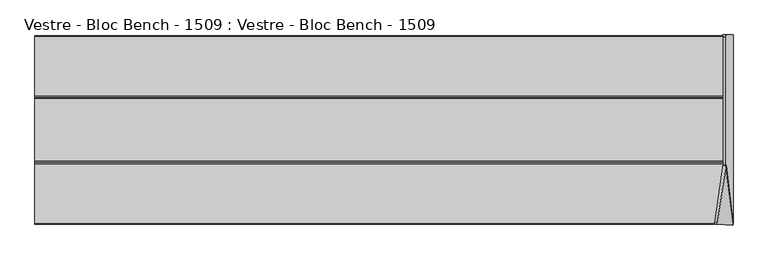
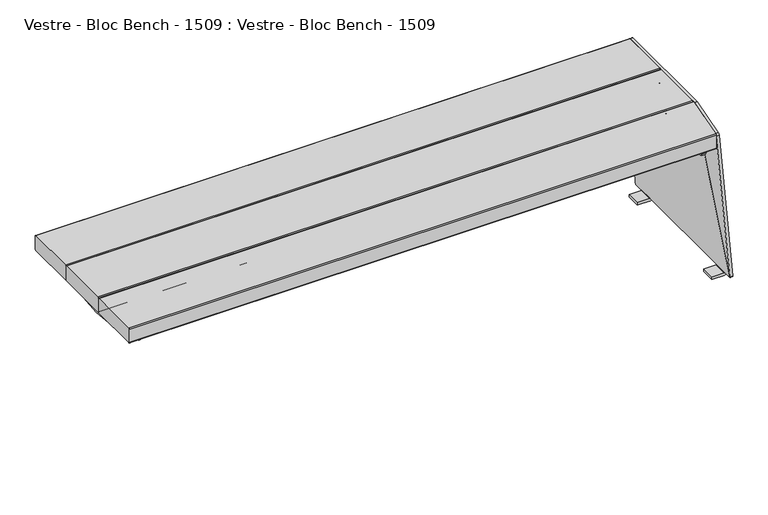
"""IFC4 building model written with IfcOpenShell, lengths in millimetres: furniture geometry, Vestre - Bloc Bench - 1509 : Vestre - Bloc Bench - 1509."""

from ifc_helpers import new_model, si_unit, point, frame, frame_2d, origin, place, context, project, spatial, polyline, circle_curve, ellipse_curve, trimmed, segment, composite_curve, outline, extrude, source, transform, mapped, element, save
from ifc_brep_helpers import plane_surface, cylinder_surface, revolved_surface, advanced_brep


def vestre_bloc_bench_1509_vestre_bloc_bench_1509_d07f5526(model_context):
    return source(origin(), model_context, "Body", "SolidModel", [
        advanced_brep(
        [(-811.574764, 211.3889605, 407.2390557), (-851.9366898, 211.3889605, 407.2390557), (-851.9366898, 211.3889605, 395.1864554), (-857.9707129, 211.3889605, 395.1864554), (-857.9707129, 211.3889605, 409.2390557), (-853.9707129, 211.3889605, 413.2390557), (-811.574764, 211.3889605, 413.2390557), (-811.574764, -211.6638244, 407.2390557), (-811.574764, -211.6638244, 413.2390557), (-853.9707129, -211.6638244, 413.2390557), (-857.9707129, -211.6638244, 409.2390557), (-857.9707129, -211.6638244, 395.1864554), (-851.9366898, -211.6638244, 395.1864554), (-851.9366898, -211.6638244, 407.2390557)],
        [
            (0, 1),
            (1, 2),
            (2, 3),
            (3, 4),
            (4, 5, circle_curve(frame((-853.9707129, 211.3889605, 409.2390557), z_axis=(0.0, 1.0, 0.0), x_axis=(1.0, 0.0, 0.0)), 4.0)),
            (5, 6),
            (6, 0),
            (7, 8),
            (8, 9),
            (9, 10, circle_curve(frame((-853.9707129, -211.6638244, 409.2390557), z_axis=(0.0, -1.0, 0.0), x_axis=(1.0, 0.0, 0.0)), 4.0)),
            (10, 11),
            (11, 12),
            (12, 13),
            (13, 7),
            (6, 8),
            (7, 0),
            (5, 9),
            (1, 13),
            (12, 2, circle_curve(frame((-851.9366898, -0.1172245, 885.6145565), z_axis=(1.0, 0.0, 0.0), x_axis=(0.0, 1.0, 0.0)), 534.0923035)),
            (4, 10),
            (3, 11, circle_curve(frame((-857.9707129, -0.1172245, 885.6145565), z_axis=(-1.0, 0.0, 0.0), x_axis=(0.0, 1.0, 0.0)), 534.0923035)),
        ],
        [
            plane_surface(frame((-851.9366898, 211.3889605, 407.2390557), z_axis=(0.0, 1.0, 0.0), x_axis=(-1.0, 0.0, 0.0))),
            plane_surface(frame((-851.9366898, -211.6638244, 407.2390557), z_axis=(0.0, -1.0, 0.0), x_axis=(1.0, 0.0, 0.0))),
            plane_surface(frame((-811.574764, 211.3889605, 413.2390557), z_axis=(1.0, 0.0, 0.0), x_axis=(0.0, -1.0, 0.0))),
            plane_surface(frame((-853.9707129, 211.3889605, 413.2390557), z_axis=(0.0, 0.0, 1.0), x_axis=(0.0, -1.0, 0.0))),
            plane_surface(frame((-851.9366898, 211.3889605, 407.2390557), z_axis=(1.0, 0.0, 0.0), x_axis=(0.0, -1.0, 0.0))),
            plane_surface(frame((-811.574764, 211.3889605, 407.2390557), z_axis=(0.0, 0.0, -1.0), x_axis=(0.0, -1.0, 0.0))),
            cylinder_surface(frame((-853.9707129, -211.6638244, 409.2390557), z_axis=(0.0, 1.0, 0.0), x_axis=(1.0, 0.0, 0.0)), 4.0),
            plane_surface(frame((-857.9707129, 211.3889605, 403.7964194), z_axis=(-1.0, 0.0, 0.0), x_axis=(0.0, -1.0, 0.0))),
            cylinder_surface(frame((-857.9707129, -0.1172245, 885.6145565), z_axis=(1.0, 0.0, 0.0), x_axis=(0.0, 1.0, 0.0)), 534.0923035),
        ],
        [
            (0, [[1, 2, 3, 4, 5, 6, 7]]),
            (1, [[8, 9, 10, 11, 12, 13, 14]]),
            (2, [[-7, 15, -8, 16]]),
            (3, [[-6, 17, -9, -15]]),
            (4, [[-2, 18, -13, 19]]),
            (5, [[-18, -1, -16, -14]]),
            (6, [[-5, 20, -10, -17]]),
            (7, [[-11, -20, -4, 21]]),
            (8, [[-19, -12, -21, -3]]),
        ],
    ),
        advanced_brep(
        [(-897.2548793, -80.7133601, 455.2390557), (-897.2548793, -80.7133601, 416.2659543), (-897.2548793, -83.7402587, 413.2390557), (-897.2548793, -230.5952818, 413.2390557), (-897.2548793, -233.6172245, 416.2609984), (-897.2548793, -233.6172245, 455.2390557), (-897.2548793, -230.6172245, 458.2390557), (-897.2548793, -83.7133601, 458.2390557), (805.4736507, -83.7133601, 458.2390557), (805.9220037, -80.7133601, 455.2390557), (783.5187211, -230.6172245, 458.2390557), (783.0703681, -233.6172245, 455.2390557), (783.0703681, -233.6172245, 416.2609984), (783.5220004, -230.5952818, 413.2390557), (805.4696307, -83.7402587, 413.2390557), (805.9220037, -80.7133601, 416.2659543)],
        [
            (0, 1),
            (1, 2, circle_curve(frame((-897.2548793, -83.7402587, 416.2659543), z_axis=(-1.0, 0.0, 0.0), x_axis=(0.0, -1.0, 0.0)), 3.0268986)),
            (2, 3),
            (3, 4, circle_curve(frame((-897.2548793, -230.5952818, 416.2609984), z_axis=(-1.0, 0.0, 0.0), x_axis=(0.0, -1.0, 0.0)), 3.0219427)),
            (4, 5),
            (5, 6, circle_curve(frame((-897.2548793, -230.6172245, 455.2390557), z_axis=(-1.0, 0.0, 0.0), x_axis=(0.0, -1.0, 0.0)), 3.0)),
            (6, 7),
            (7, 0, circle_curve(frame((-897.2548793, -83.7133601, 455.2390557), z_axis=(-1.0, 0.0, 0.0), x_axis=(0.0, -1.0, 0.0)), 3.0)),
            (7, 8),
            (8, 9, ellipse_curve(frame((805.4736507, -83.7133601, 455.2390557), z_axis=(-0.9890158633619185, 0.1478094111295999, 0.0), x_axis=(-0.1478094111295991, -0.9890158633619186, 0.0)), 3.0333184, 3.0)),
            (9, 0),
            (6, 10),
            (10, 8),
            (5, 11),
            (11, 10, ellipse_curve(frame((783.5187211, -230.6172245, 455.2390557), z_axis=(-0.9890158633619185, 0.1478094111295999, 0.0), x_axis=(-0.1478094111295991, -0.9890158633619186, 0.0)), 3.0333184, 3.0)),
            (4, 12),
            (12, 11),
            (3, 13),
            (13, 12, ellipse_curve(frame((783.5220004, -230.5952818, 416.2609984), z_axis=(-0.9890158633619185, 0.1478094111295999, 0.0), x_axis=(-0.1478094111295991, -0.9890158633619186, 0.0)), 3.0555048, 3.0219427)),
            (2, 14),
            (14, 13),
            (1, 15),
            (15, 14, ellipse_curve(frame((805.4696307, -83.7402587, 416.2659543), z_axis=(-0.9890158633619185, 0.1478094111295999, 0.0), x_axis=(-0.1478094111295991, -0.9890158633619186, 0.0)), 3.0605157, 3.0268986)),
            (9, 15),
        ],
        [
            plane_surface(frame((-897.2548793, -80.7133601, 416.2390557), z_axis=(-1.0, 0.0, 0.0), x_axis=(0.0, 0.0, -1.0))),
            cylinder_surface(frame((822.4646199, -83.7133601, 455.2390557), z_axis=(-1.0, 0.0, 0.0), x_axis=(0.0, -1.0, 0.0)), 3.0),
            plane_surface(frame((-897.2548793, -230.6172245, 458.2390557), z_axis=(0.0, 0.0, 1.0), x_axis=(1.0, 0.0, 0.0))),
            cylinder_surface(frame((822.4646199, -230.6172245, 455.2390557), z_axis=(-1.0, 0.0, 0.0), x_axis=(0.0, -1.0, 0.0)), 3.0),
            plane_surface(frame((-897.2548793, -233.6172245, 416.2609984), z_axis=(0.0, -1.0, 0.0), x_axis=(1.0, 0.0, 0.0))),
            cylinder_surface(frame((822.4646199, -230.5952818, 416.2609984), z_axis=(-1.0, 0.0, 0.0), x_axis=(0.0, -1.0, 0.0)), 3.0219427),
            plane_surface(frame((-897.2548793, -83.7402587, 413.2390557), z_axis=(0.0, 0.0, -1.0), x_axis=(1.0, 0.0, 0.0))),
            cylinder_surface(frame((822.4646199, -83.7402587, 416.2659543), z_axis=(-1.0, 0.0, 0.0), x_axis=(0.0, -1.0, 0.0)), 3.0268986),
            plane_surface(frame((-897.2548793, -80.7133601, 455.2390557), z_axis=(0.0, 1.0, 0.0), x_axis=(1.0, 0.0, 0.0))),
            plane_surface(frame((806.9770465, -73.6539037, 514.4914175), z_axis=(0.9890158633619185, -0.1478094111295999, 0.0), x_axis=(0.0, 0.0, -1.0))),
        ],
        [
            (0, [[1, 2, 3, 4, 5, 6, 7, 8]]),
            (1, [[-8, 9, 10, 11]]),
            (2, [[-7, 12, 13, -9]]),
            (3, [[-6, 14, 15, -12]]),
            (4, [[-5, 16, 17, -14]]),
            (5, [[-4, 18, 19, -16]]),
            (6, [[-3, 20, 21, -18]]),
            (7, [[-2, 22, 23, -20]]),
            (8, [[-1, -11, 24, -22]]),
            (9, [[-10, -13, -15, -17, -19, -21, -23, -24]]),
        ],
    ),
        extrude(outline(polyline([(-68.3889031, 209.3050466), (-27.9145133, 209.3050466), (-27.9145133, -210.6946854), (-68.3889031, -210.6946854), (-68.3889031, 209.3050466)])), frame((0.0, 0.0, 407.2390557), z_axis=(0.0, 0.0, 1.0), x_axis=(1.0, 0.0, 0.0)), (0.0, 0.0, 1.0), 6.0),
        extrude(outline(composite_curve([segment(trimmed(circle_curve(frame_2d((-77.6954761, 455.2390557)), 3.0), [point((-80.6954761, 455.2390557))], [point((-77.6954761, 458.2390557))], False, "CARTESIAN"), True, "CONTINUOUS"), segment(polyline([(-77.6954761, 458.2390557), (77.4100836, 458.2390557)]), True, "CONTINUOUS"), segment(trimmed(circle_curve(frame_2d((77.4100836, 455.2390557)), 3.0), [point((77.4100836, 458.2390557))], [point((80.4100836, 455.2390557))], False, "CARTESIAN"), True, "CONTINUOUS"), segment(polyline([(80.4100836, 455.2390557), (80.4100836, 416.2609984)]), True, "CONTINUOUS"), segment(trimmed(circle_curve(frame_2d((77.388141, 416.2609984)), 3.0219427), [point((80.4100836, 416.2609984))], [point((77.388141, 413.2390557))], False, "CARTESIAN"), True, "CONTINUOUS"), segment(polyline([(77.388141, 413.2390557), (-77.6685775, 413.2390557)]), True, "CONTINUOUS"), segment(trimmed(circle_curve(frame_2d((-77.6685775, 416.2659543)), 3.0268986), [point((-77.6685775, 413.2390557))], [point((-80.6954761, 416.2659543))], False, "CARTESIAN"), True, "CONTINUOUS"), segment(polyline([(-80.6954761, 416.2659543), (-80.6954761, 455.2390557)]), True, "CONTINUOUS")], self_intersect=False)), frame((-897.2548793, 0.0, 0.0), z_axis=(1.0, 0.0, 0.0), x_axis=(0.0, 1.0, 0.0)), (0.0, 0.0, 1.0), 1702.2058816),
        extrude(outline(composite_curve([segment(trimmed(circle_curve(frame_2d((83.4123113, 455.2390557)), 3.0), [point((80.4123113, 455.2390557))], [point((83.4123113, 458.2390557))], False, "CARTESIAN"), True, "CONTINUOUS"), segment(polyline([(83.4123113, 458.2390557), (230.3827755, 458.2390557)]), True, "CONTINUOUS"), segment(trimmed(circle_curve(frame_2d((230.3827755, 455.2390557)), 3.0), [point((230.3827755, 458.2390557))], [point((233.3827755, 455.2390557))], False, "CARTESIAN"), True, "CONTINUOUS"), segment(polyline([(233.3827755, 455.2390557), (233.3827755, 416.2609984)]), True, "CONTINUOUS"), segment(trimmed(circle_curve(frame_2d((230.3608328, 416.2609984)), 3.0219427), [point((233.3827755, 416.2609984))], [point((230.3608328, 413.2390557))], False, "CARTESIAN"), True, "CONTINUOUS"), segment(polyline([(230.3608328, 413.2390557), (83.4392099, 413.2390557)]), True, "CONTINUOUS"), segment(trimmed(circle_curve(frame_2d((83.4392099, 416.2659543)), 3.0268986), [point((83.4392099, 413.2390557))], [point((80.4123113, 416.2659543))], False, "CARTESIAN"), True, "CONTINUOUS"), segment(polyline([(80.4123113, 416.2659543), (80.4123113, 455.2390557)]), True, "CONTINUOUS")], self_intersect=False)), frame((-897.0489978, 0.0, 0.0), z_axis=(1.0, 0.0, 0.0), x_axis=(0.0, 1.0, 0.0)), (0.0, 0.0, 1.0), 1702.0),
        advanced_brep(
        [(830.4585337, 205.2017011, 9.5095868), (830.4585337, 205.2017011, 7.9956698), (822.4628639, 205.2017011, 0.0), (786.7960481, 205.2017011, 0.0), (786.7960481, 205.2017011, 7.6306711), (821.742656, 205.2017011, 7.6306711), (822.4646199, 205.2017011, 8.3526351), (822.4646199, 205.2017011, 9.1975895), (822.4646199, 165.2017011, 9.1975895), (822.4646199, 165.2017011, 8.3526351), (821.742656, 165.2017011, 7.6306711), (786.7960481, 165.2017011, 7.6306711), (786.7960481, 165.2017011, 0.0), (822.4628639, 165.2017011, 0.0), (830.4585337, 165.2017011, 7.9956698), (830.4585337, 165.2017011, 9.5095868), (822.4646199, -165.4361502, 9.1975895), (822.4646199, -205.4361502, 9.1975895), (822.4646199, -232.8578089, 9.1975895), (804.9510022, -87.5887258, 457.9270585), (804.9510022, 231.2017011, 457.9270585), (805.1070009, 235.2017011, 453.9301016), (822.3086213, 235.2017011, 13.1945464), (822.4646199, 231.2017011, 9.1975895), (830.4585337, 231.2017011, 9.5095868), (830.3025351, 235.2017011, 13.5065437), (813.1009147, 235.2017011, 454.2420988), (812.944916, 231.2017011, 458.2390557), (812.944916, -87.5887258, 458.2390557), (830.4585337, -232.8578089, 9.5095868), (830.4585337, -205.4361502, 9.5095868), (830.4585337, -165.4361502, 9.5095868), (822.4646199, -205.4361502, 8.3526351), (821.742656, -205.4361502, 7.6306711), (786.7960481, -205.4361502, 7.6306711), (786.7960481, -205.4361502, 0.0), (822.4628639, -205.4361502, 0.0), (830.4585337, -205.4361502, 7.9956698), (830.4585337, -165.4361502, 7.9956698), (822.4628639, -165.4361502, 0.0), (786.7960481, -165.4361502, 0.0), (786.7960481, -165.4361502, 7.6306711), (821.742656, -165.4361502, 7.6306711), (822.4646199, -165.4361502, 8.3526351)],
        [
            (0, 1),
            (1, 2, circle_curve(frame((822.4628639, 205.2017011, 7.9956698), z_axis=(0.0, 1.0, 0.0), x_axis=(-1.0, 0.0, 0.0)), 7.9956698)),
            (2, 3),
            (3, 4),
            (4, 5),
            (5, 6, circle_curve(frame((821.742656, 205.2017011, 8.3526351), z_axis=(0.0, -1.0, 0.0), x_axis=(-1.0, 0.0, 0.0)), 0.721964)),
            (6, 7),
            (7, 0),
            (8, 9),
            (9, 10, circle_curve(frame((821.742656, 165.2017011, 8.3526351), z_axis=(0.0, 1.0, 0.0), x_axis=(-1.0, 0.0, 0.0)), 0.721964)),
            (10, 11),
            (11, 12),
            (12, 13),
            (13, 14, circle_curve(frame((822.4628639, 165.2017011, 7.9956698), z_axis=(0.0, -1.0, 0.0), x_axis=(-1.0, 0.0, 0.0)), 7.9956698)),
            (14, 15),
            (15, 8),
            (0, 15),
            (14, 1),
            (2, 13),
            (12, 3),
            (11, 4),
            (10, 5),
            (6, 9),
            (8, 7),
            (8, 16),
            (16, 17),
            (17, 18),
            (18, 19),
            (19, 20),
            (20, 21, circle_curve(frame((805.1070009, 231.2017011, 453.9301016), z_axis=(-0.9992392241287592, 0.0, -0.038999653364553986), x_axis=(-0.038999653364553986, 0.0, 0.9992392241287592)), 4.0)),
            (21, 22),
            (22, 23, circle_curve(frame((822.3086213, 231.2017011, 13.1945464), z_axis=(-0.9992392241287592, 0.0, -0.038999653364553986), x_axis=(-0.038999653364553986, 0.0, 0.9992392241287592)), 4.0)),
            (23, 7),
            (0, 24),
            (24, 25, circle_curve(frame((830.3025351, 231.2017011, 13.5065437), z_axis=(0.9992392241287592, 0.0, 0.038999653364553986), x_axis=(-0.038999653364553986, 0.0, 0.9992392241287592)), 4.0)),
            (25, 26),
            (26, 27, circle_curve(frame((813.1009147, 231.2017011, 454.2420988), z_axis=(0.9992392241287592, 0.0, 0.038999653364553986), x_axis=(-0.038999653364553986, 0.0, 0.9992392241287592)), 4.0)),
            (27, 28),
            (28, 29),
            (29, 30),
            (30, 31),
            (31, 15),
            (28, 19),
            (18, 29),
            (31, 16),
            (17, 30),
            (23, 24),
            (22, 25),
            (21, 26),
            (20, 27),
            (17, 32),
            (32, 33, circle_curve(frame((821.742656, -205.4361502, 8.3526351), z_axis=(0.0, 1.0, 0.0), x_axis=(-1.0, 0.0, 0.0)), 0.721964)),
            (33, 34),
            (34, 35),
            (35, 36),
            (36, 37, circle_curve(frame((822.4628639, -205.4361502, 7.9956698), z_axis=(0.0, -1.0, 0.0), x_axis=(-1.0, 0.0, 0.0)), 7.9956698)),
            (37, 30),
            (31, 38),
            (38, 39, circle_curve(frame((822.4628639, -165.4361502, 7.9956698), z_axis=(0.0, 1.0, 0.0), x_axis=(-1.0, 0.0, 0.0)), 7.9956698)),
            (39, 40),
            (40, 41),
            (41, 42),
            (42, 43, circle_curve(frame((821.742656, -165.4361502, 8.3526351), z_axis=(0.0, -1.0, 0.0), x_axis=(-1.0, 0.0, 0.0)), 0.721964)),
            (43, 16),
            (37, 38),
            (35, 40),
            (39, 36),
            (34, 41),
            (33, 42),
            (43, 32),
        ],
        [
            plane_surface(frame((830.4585337, 205.2017011, 9.5095868), z_axis=(0.0, 1.0, 0.0), x_axis=(0.0, 0.0, -1.0))),
            plane_surface(frame((830.4585337, 165.2017011, 9.5095868), z_axis=(0.0, -1.0, 0.0), x_axis=(0.0, 0.0, 1.0))),
            plane_surface(frame((830.4585337, 205.2017011, 9.5095868), z_axis=(1.0, 0.0, 0.0), x_axis=(0.0, -1.0, 0.0))),
            plane_surface(frame((822.4628639, 205.2017011, 0.0), z_axis=(0.0, 0.0, -1.0), x_axis=(0.0, -1.0, 0.0))),
            plane_surface(frame((786.7960481, 205.2017011, 0.0), z_axis=(-1.0, 0.0, 0.0), x_axis=(0.0, -1.0, 0.0))),
            plane_surface(frame((786.7960481, 205.2017011, 7.6306711), z_axis=(0.0, 0.0, 1.0), x_axis=(0.0, -1.0, 0.0))),
            plane_surface(frame((822.4646199, 205.2017011, 8.3526351), z_axis=(-1.0, 0.0, 0.0), x_axis=(0.0, -1.0, 0.0))),
            plane_surface(frame((822.4646199, 205.2017011, 9.1975895), z_axis=(-0.9992392241287603, 0.0, -0.038999653364527695), x_axis=(0.0, -1.0, 0.0))),
            plane_surface(frame((830.3509385, 205.2017011, 12.2663645), z_axis=(0.999239224128761, 0.0, 0.038999653364509855), x_axis=(0.0, -1.0, 0.0))),
            plane_surface(frame((812.944916, -87.5887258, 458.2390557), z_axis=(-0.012003490940991807, -0.9514560777774649, 0.30755039955355684), x_axis=(-0.9992392241287592, 0.0, -0.038999653364555555))),
            plane_surface(frame((830.4585337, -232.8578089, 9.5095868), z_axis=(0.038999653364553966, 0.0, -0.9992392241287592), x_axis=(-0.9992392241287592, 0.0, -0.038999653364553966))),
            cylinder_surface(frame((822.3086213, 231.2017011, 13.1945464), z_axis=(0.9992392241287592, 0.0, 0.038999653364553986), x_axis=(-0.038999653364553986, 0.0, 0.9992392241287592)), 4.0),
            plane_surface(frame((830.3025351, 235.2017011, 13.5065437), z_axis=(0.0, 1.0, 0.0), x_axis=(-0.9992392241287592, 0.0, -0.038999653364553966))),
            cylinder_surface(frame((805.1070009, 231.2017011, 453.9301016), z_axis=(0.9992392241287592, 0.0, 0.038999653364553986), x_axis=(-0.038999653364553986, 0.0, 0.9992392241287592)), 4.0),
            plane_surface(frame((812.944916, 231.2017011, 458.2390557), z_axis=(-0.038999653364555555, 0.0, 0.9992392241287592), x_axis=(-0.9992392241287592, 0.0, -0.038999653364555555))),
            cylinder_surface(frame((822.4628639, 165.2017011, 7.9956698), z_axis=(0.0, 1.0, 0.0), x_axis=(-1.0, 0.0, 0.0)), 7.9956698),
            revolved_surface(polyline([(821.020692, 165.2017011, 8.3526351), (821.020692, 205.2017011, 8.3526351)]), (821.742656, 165.2017011, 8.3526351), (0.0, -1.0, 0.0)),
            plane_surface(frame((830.3387614, -205.4361502, 12.5783617), z_axis=(0.0, -1.0, 0.0), x_axis=(-0.038999653364509855, 0.0, 0.999239224128761))),
            plane_surface(frame((830.3387614, -165.4361502, 12.5783617), z_axis=(0.0, 1.0, 0.0), x_axis=(0.038999653364509855, 0.0, -0.999239224128761))),
            plane_surface(frame((830.4585337, -205.4361502, 7.9956698), z_axis=(1.0, 0.0, 0.0), x_axis=(0.0, 1.0, 0.0))),
            plane_surface(frame((786.7960481, -205.4361502, 0.0), z_axis=(0.0, 0.0, -1.0), x_axis=(0.0, 1.0, 0.0))),
            plane_surface(frame((786.7960481, -205.4361502, 7.6306711), z_axis=(-1.0, 0.0, 0.0), x_axis=(0.0, 1.0, 0.0))),
            plane_surface(frame((821.742656, -205.4361502, 7.6306711), z_axis=(0.0, 0.0, 1.0), x_axis=(0.0, 1.0, 0.0))),
            plane_surface(frame((822.4646199, -205.4361502, 9.1975895), z_axis=(-1.0, 0.0, 0.0), x_axis=(0.0, 1.0, 0.0))),
            cylinder_surface(frame((822.4628639, -165.4361502, 7.9956698), z_axis=(0.0, -1.0, 0.0), x_axis=(-1.0, 0.0, 0.0)), 7.9956698),
            revolved_surface(polyline([(821.020692, -165.4361502, 8.3526351), (821.020692, -205.4361502, 8.3526351)]), (821.742656, -165.4361502, 8.3526351), (0.0, 1.0, 0.0)),
        ],
        [
            (0, [[1, 2, 3, 4, 5, 6, 7, 8]]),
            (1, [[9, 10, 11, 12, 13, 14, 15, 16]]),
            (2, [[-1, 17, -15, 18]]),
            (3, [[-3, 19, -13, 20]]),
            (4, [[-4, -20, -12, 21]]),
            (5, [[-5, -21, -11, 22]]),
            (6, [[-7, 23, -9, 24]]),
            (7, [[-24, 25, 26, 27, 28, 29, 30, 31, 32, 33]]),
            (8, [[-17, 34, 35, 36, 37, 38, 39, 40, 41, 42]]),
            (9, [[-39, 43, -28, 44]]),
            (10, [[-42, 45, -25, -16]]),
            (10, [[-44, -27, 46, -40]]),
            (10, [[47, -34, -8, -33]]),
            (11, [[-35, -47, -32, 48]]),
            (12, [[-36, -48, -31, 49]]),
            (13, [[-37, -49, -30, 50]]),
            (14, [[-38, -50, -29, -43]]),
            (15, [[-2, -18, -14, -19]]),
            (16, [[-6, -22, -10, -23]]),
            (17, [[51, 52, 53, 54, 55, 56, 57, -46]]),
            (18, [[58, 59, 60, 61, 62, 63, 64, -45]]),
            (19, [[-57, 65, -58, -41]]),
            (20, [[-55, 66, -60, 67]]),
            (21, [[-54, 68, -61, -66]]),
            (22, [[-53, 69, -62, -68]]),
            (23, [[-51, -26, -64, 70]]),
            (24, [[-56, -67, -59, -65]]),
            (25, [[-52, -70, -63, -69]]),
        ],
    ),
        extrude(outline(polyline([(-90.8739095, 386.8986812), (-126.6489792, 386.8986812), (-128.6489779, 388.8986812), (-128.6489779, 405.2390557), (-126.6489792, 407.2390557), (-90.8739095, 407.2390557), (-88.8739108, 405.2390557), (-88.8739108, 388.8986812), (-90.8739095, 386.8986812)])), frame((-851.0203973, 0.0, 0.0), z_axis=(1.0, 0.0, 0.0), x_axis=(0.0, 1.0, 0.0)), (0.0, 0.0, 1.0), 1605.9989754),
        extrude(outline(polyline([(89.3511107, 386.8136339), (87.351112, 388.8136339), (87.351112, 405.2390557), (89.3511107, 407.2390557), (125.3504644, 407.2390557), (127.3504631, 405.2390557), (127.3504631, 388.8136339), (125.3504644, 386.8136339), (89.3511107, 386.8136339)])), frame((-851.0203973, 0.0, 0.0), z_axis=(1.0, 0.0, 0.0), x_axis=(0.0, 1.0, 0.0)), (0.0, 0.0, 1.0), 1605.9989754),
        advanced_brep(
        [(754.9785782, 211.3889605, 407.2390557), (754.9785782, 211.3889605, 395.1864554), (754.9785782, 207.9320468, 387.4220999), (754.9785782, -0.1172245, 351.522253), (754.9785782, -208.1664958, 387.4220999), (754.9785782, -211.6234096, 395.1864554), (754.9785782, -211.6234096, 407.2390557), (754.9785782, -0.1172245, 407.2390557), (754.9785782, 21.7420131, 366.3746227), (754.9785782, 11.7420131, 366.3746227), (754.9785782, -24.3743794, 390.0986559), (754.9785782, -14.3743794, 390.0986559), (754.9785782, 10.0049416, 377.5777405), (754.9785782, -13.1574188, 377.5777405), (754.9785782, -146.7030287, 385.4289802), (754.9785782, -136.7030287, 385.4289802), (754.9785782, 133.2969713, 385.4289802), (754.9785782, 143.2969713, 385.4289802), (767.0466243, -211.6234096, 407.2390557), (767.0466243, -211.6234096, 395.1864554), (767.0466243, -208.1664958, 387.4220999), (767.0466243, -0.1172245, 351.522253), (767.0466243, 207.9320468, 387.4220999), (767.0466243, 211.3889605, 395.1864554), (767.0466243, 211.3889605, 407.2390557), (767.0466243, -0.1172245, 407.2390557), (767.0466243, 11.7420131, 366.3746227), (767.0466243, 21.7420131, 366.3746227), (767.0466243, -14.3743794, 390.0986559), (767.0466243, -24.3743794, 390.0986559), (767.0466243, -13.1574188, 377.5777405), (767.0466243, 10.0049416, 377.5777405), (767.0466243, -136.7030287, 385.4289802), (767.0466243, -146.7030287, 385.4289802), (767.0466243, 143.2969713, 385.4289802), (767.0466243, 133.2969713, 385.4289802), (786.3513257, -211.6234096, 407.2390557), (786.3513257, -211.6234096, 413.2390557), (765.0126013, -211.6234096, 413.2390557), (761.0126013, -211.6234096, 409.2390557), (757.0126013, -211.6234096, 413.2390557), (714.6166524, -211.6234096, 413.2390557), (714.6166524, -211.6234096, 407.2390557), (714.6166524, 211.3889605, 407.2390557), (714.6166524, 211.3889605, 413.2390557), (757.0126013, 211.3889605, 413.2390557), (761.0126013, 211.3889605, 409.2390557), (765.0126013, 211.3889605, 413.2390557), (806.6951458, 211.3889605, 413.2390557), (806.6951458, 211.3889605, 407.2390557), (806.6951458, -75.5401458, 413.2390557), (806.6951458, -75.5401458, 407.2390557)],
        [
            (0, 1),
            (1, 2),
            (2, 3, circle_curve(frame((754.9785782, -11.8431681, 1040.277924), z_axis=(-1.0, 0.0, 0.0), x_axis=(0.0, -1.0, 0.0)), 688.8554798)),
            (3, 4, circle_curve(frame((754.9785782, 11.6087191, 1040.277924), z_axis=(-1.0, 0.0, 0.0), x_axis=(0.0, 1.0, 0.0)), 688.8554798)),
            (4, 5),
            (5, 6),
            (6, 7),
            (7, 0),
            (8, 9, circle_curve(frame((754.9785782, 16.7420131, 366.3746227), z_axis=(1.0, 0.0, 0.0), x_axis=(0.0, 1.0, 0.0)), 5.0)),
            (9, 8, circle_curve(frame((754.9785782, 16.7420131, 366.3746227), z_axis=(1.0, 0.0, 0.0), x_axis=(0.0, 1.0, 0.0)), 5.0)),
            (10, 11, circle_curve(frame((754.9785782, -19.3743794, 390.0986559), z_axis=(1.0, 0.0, 0.0), x_axis=(0.0, -1.0, 0.0)), 5.0)),
            (11, 10, circle_curve(frame((754.9785782, -19.3743794, 390.0986559), z_axis=(1.0, 0.0, 0.0), x_axis=(0.0, -1.0, 0.0)), 5.0)),
            (12, 13, circle_curve(frame((754.9785782, -1.5762386, 377.5777405), z_axis=(1.0, 0.0, 0.0), x_axis=(0.0, 1.0, 0.0)), 11.5811802)),
            (13, 12, circle_curve(frame((754.9785782, -1.5762386, 377.5777405), z_axis=(1.0, 0.0, 0.0), x_axis=(0.0, 1.0, 0.0)), 11.5811802)),
            (14, 15, circle_curve(frame((754.9785782, -141.7030287, 385.4289802), z_axis=(1.0, 0.0, 0.0), x_axis=(0.0, -1.0, 0.0)), 5.0)),
            (15, 14, circle_curve(frame((754.9785782, -141.7030287, 385.4289802), z_axis=(1.0, 0.0, 0.0), x_axis=(0.0, -1.0, 0.0)), 5.0)),
            (16, 17, circle_curve(frame((754.9785782, 138.2969713, 385.4289802), z_axis=(1.0, 0.0, 0.0), x_axis=(0.0, -1.0, 0.0)), 5.0)),
            (17, 16, circle_curve(frame((754.9785782, 138.2969713, 385.4289802), z_axis=(1.0, 0.0, 0.0), x_axis=(0.0, -1.0, 0.0)), 5.0)),
            (18, 19),
            (19, 20),
            (20, 21, circle_curve(frame((767.0466243, 11.6087191, 1040.277924), z_axis=(1.0, 0.0, 0.0), x_axis=(0.0, 1.0, 0.0)), 688.8554798)),
            (21, 22, circle_curve(frame((767.0466243, -11.8431681, 1040.277924), z_axis=(1.0, 0.0, 0.0), x_axis=(0.0, -1.0, 0.0)), 688.8554798)),
            (22, 23),
            (23, 24),
            (24, 25),
            (25, 18),
            (26, 27, circle_curve(frame((767.0466243, 16.7420131, 366.3746227), z_axis=(-1.0, 0.0, 0.0), x_axis=(0.0, 1.0, 0.0)), 5.0)),
            (27, 26, circle_curve(frame((767.0466243, 16.7420131, 366.3746227), z_axis=(-1.0, 0.0, 0.0), x_axis=(0.0, 1.0, 0.0)), 5.0)),
            (28, 29, circle_curve(frame((767.0466243, -19.3743794, 390.0986559), z_axis=(-1.0, 0.0, 0.0), x_axis=(0.0, -1.0, 0.0)), 5.0)),
            (29, 28, circle_curve(frame((767.0466243, -19.3743794, 390.0986559), z_axis=(-1.0, 0.0, 0.0), x_axis=(0.0, -1.0, 0.0)), 5.0)),
            (30, 31, circle_curve(frame((767.0466243, -1.5762386, 377.5777405), z_axis=(-1.0, 0.0, 0.0), x_axis=(0.0, 1.0, 0.0)), 11.5811802)),
            (31, 30, circle_curve(frame((767.0466243, -1.5762386, 377.5777405), z_axis=(-1.0, 0.0, 0.0), x_axis=(0.0, 1.0, 0.0)), 11.5811802)),
            (32, 33, circle_curve(frame((767.0466243, -141.7030287, 385.4289802), z_axis=(-1.0, 0.0, 0.0), x_axis=(0.0, -1.0, 0.0)), 5.0)),
            (33, 32, circle_curve(frame((767.0466243, -141.7030287, 385.4289802), z_axis=(-1.0, 0.0, 0.0), x_axis=(0.0, -1.0, 0.0)), 5.0)),
            (34, 35, circle_curve(frame((767.0466243, 138.2969713, 385.4289802), z_axis=(-1.0, 0.0, 0.0), x_axis=(0.0, -1.0, 0.0)), 5.0)),
            (35, 34, circle_curve(frame((767.0466243, 138.2969713, 385.4289802), z_axis=(-1.0, 0.0, 0.0), x_axis=(0.0, -1.0, 0.0)), 5.0)),
            (5, 19),
            (18, 36),
            (36, 37),
            (37, 38),
            (38, 39, circle_curve(frame((765.0126013, -211.6234096, 409.2390557), z_axis=(0.0, -1.0, 0.0), x_axis=(-1.0, 0.0, 0.0)), 4.0)),
            (39, 40, circle_curve(frame((757.0126013, -211.6234096, 409.2390557), z_axis=(0.0, -1.0, 0.0), x_axis=(-1.0, 0.0, 0.0)), 4.0)),
            (40, 41),
            (41, 42),
            (42, 6),
            (23, 1),
            (0, 43),
            (43, 44),
            (44, 45),
            (45, 46, circle_curve(frame((757.0126013, 211.3889605, 409.2390557), z_axis=(0.0, 1.0, 0.0), x_axis=(-1.0, 0.0, 0.0)), 4.0)),
            (46, 47, circle_curve(frame((765.0126013, 211.3889605, 409.2390557), z_axis=(0.0, 1.0, 0.0), x_axis=(-1.0, 0.0, 0.0)), 4.0)),
            (47, 48),
            (48, 49),
            (49, 24),
            (22, 2),
            (4, 20),
            (21, 3),
            (26, 9),
            (8, 27),
            (28, 11),
            (10, 29),
            (30, 13),
            (12, 31),
            (32, 15),
            (14, 33),
            (34, 17),
            (16, 35),
            (43, 42),
            (41, 44),
            (40, 45),
            (48, 50),
            (50, 51),
            (51, 49),
            (51, 36),
            (39, 46),
            (38, 47),
            (37, 50),
        ],
        [
            plane_surface(frame((754.9785782, -211.6234096, 407.2390557), z_axis=(-1.0, 0.0, 0.0), x_axis=(0.0, 0.0, 1.0))),
            plane_surface(frame((767.0466243, -211.6234096, 407.2390557), z_axis=(1.0, 0.0, 0.0), x_axis=(0.0, 0.0, -1.0))),
            plane_surface(frame((754.9785782, -211.6234096, 395.1864554), z_axis=(0.0, -1.0, 0.0), x_axis=(1.0, 0.0, 0.0))),
            plane_surface(frame((754.9785782, 211.3889605, 407.2390557), z_axis=(0.0, 1.0, 0.0), x_axis=(1.0, 0.0, 0.0))),
            plane_surface(frame((754.9785782, 211.3889605, 395.1864554), z_axis=(0.0, 0.9135454576426094, -0.4067366430757813), x_axis=(1.0, 0.0, 0.0))),
            plane_surface(frame((754.9785782, -208.1664958, 387.4220999), z_axis=(0.0, -0.9135454576425998, -0.4067366430758029), x_axis=(1.0, 0.0, 0.0))),
            cylinder_surface(frame((767.0466243, -11.8431681, 1040.277924), z_axis=(-1.0, 0.0, 0.0), x_axis=(0.0, -1.0, 0.0)), 688.8554798),
            cylinder_surface(frame((767.0466243, 11.6087191, 1040.277924), z_axis=(-1.0, 0.0, 0.0), x_axis=(0.0, 1.0, 0.0)), 688.8554798),
            revolved_surface(polyline([(754.9785782, 21.7420131, 366.3746227), (767.0466243, 21.7420131, 366.3746227)]), (768.8947042, 16.7420131, 366.3746227), (-1.0, 0.0, 0.0)),
            revolved_surface(polyline([(754.9785782, -24.3743794, 390.0986559), (767.0466243, -24.3743794, 390.0986559)]), (-48.4790558, -19.3743794, 390.0986559), (-1.0, 0.0, 0.0)),
            revolved_surface(polyline([(754.9785782, 10.0049416, 377.5777405), (767.0466243, 10.0049416, 377.5777405)]), (-48.4790558, -1.5762386, 377.5777405), (-1.0, 0.0, 0.0)),
            revolved_surface(polyline([(754.9785782, -146.7030287, 385.4289802), (767.0466243, -146.7030287, 385.4289802)]), (-48.4790558, -141.7030287, 385.4289802), (-1.0, 0.0, 0.0)),
            revolved_surface(polyline([(754.9785782, 133.2969713, 385.4289802), (767.0466243, 133.2969713, 385.4289802)]), (-48.4790558, 138.2969713, 385.4289802), (-1.0, 0.0, 0.0)),
            plane_surface(frame((714.6166524, 211.3889605, 407.2390557), z_axis=(-1.0, 0.0, 0.0), x_axis=(0.0, -1.0, 0.0))),
            plane_surface(frame((714.6166524, 211.3889605, 413.2390557), z_axis=(0.0, 0.0, 1.0), x_axis=(0.0, -1.0, 0.0))),
            plane_surface(frame((806.6951458, 211.3889605, 413.2390557), z_axis=(1.0, 0.0, 0.0), x_axis=(0.0, -1.0, 0.0))),
            plane_surface(frame((806.6951458, 211.3889605, 407.2390557), z_axis=(0.0, 0.0, -1.0), x_axis=(0.0, -1.0, 0.0))),
            plane_surface(frame((754.9785782, 211.3889605, 407.2390557), z_axis=(0.0, 0.0, -1.0), x_axis=(0.0, -1.0, 0.0))),
            cylinder_surface(frame((757.0126013, -211.6638244, 409.2390557), z_axis=(0.0, 1.0, 0.0), x_axis=(-1.0, 0.0, 0.0)), 4.0),
            cylinder_surface(frame((765.0126013, -211.6638244, 409.2390557), z_axis=(0.0, 1.0, 0.0), x_axis=(-1.0, 0.0, 0.0)), 4.0),
            plane_surface(frame((765.0126013, 211.3889605, 413.2390557), z_axis=(0.0, 0.0, 1.0), x_axis=(0.0, -1.0, 0.0))),
            plane_surface(frame((806.9770465, -73.6539037, 514.4914175), z_axis=(0.9890158633619185, -0.1478094111295999, 0.0), x_axis=(0.0, 0.0, -1.0))),
        ],
        [
            (0, [[1, 2, 3, 4, 5, 6, 7, 8], [9, 10], [11, 12], [13, 14], [15, 16], [17, 18]]),
            (1, [[19, 20, 21, 22, 23, 24, 25, 26], [27, 28], [29, 30], [31, 32], [33, 34], [35, 36]]),
            (2, [[37, -19, 38, 39, 40, 41, 42, 43, 44, 45, -6]]),
            (3, [[46, -1, 47, 48, 49, 50, 51, 52, 53, 54, -24]]),
            (4, [[-2, -46, -23, 55]]),
            (5, [[-5, 56, -20, -37]]),
            (6, [[-3, -55, -22, 57]]),
            (7, [[-4, -57, -21, -56]]),
            (8, [[58, -9, 59, -27]]),
            (8, [[-58, -28, -59, -10]]),
            (9, [[60, -11, 61, -29]]),
            (9, [[-60, -30, -61, -12]]),
            (10, [[62, -13, 63, -31]]),
            (10, [[-62, -32, -63, -14]]),
            (11, [[64, -15, 65, -33]]),
            (11, [[-64, -34, -65, -16]]),
            (12, [[66, -17, 67, -35]]),
            (12, [[-66, -36, -67, -18]]),
            (13, [[-48, 68, -44, 69]]),
            (14, [[-49, -69, -43, 70]]),
            (15, [[-53, 71, 72, 73]]),
            (16, [[-54, -73, 74, -38, -26, -25]]),
            (17, [[-47, -8, -7, -45, -68]]),
            (18, [[-50, -70, -42, 75]]),
            (19, [[-51, -75, -41, 76]]),
            (20, [[-52, -76, -40, 77, -71]]),
            (21, [[-39, -74, -72, -77]]),
        ],
    ),
        extrude(outline(composite_curve([segment(polyline([(0.0, 0.0), (143.827361, 1e-07), (-1.499331, -449.2546808)]), True, "CONTINUOUS"), segment(trimmed(circle_curve(frame_2d((0.0036131, -445.5438753)), 4.0036131), [point((-1.499331, -449.2546808))], [point((-4.0, -445.5438753))], False, "CARTESIAN"), True, "CONTINUOUS"), segment(polyline([(-4.0, -445.5438753), (-4.0, -4.0)]), True, "CONTINUOUS"), segment(trimmed(circle_curve(frame_2d((0.0, -4.0)), 4.0), [point((-4.0, -4.0))], [point((0.0, 0.0))], False, "CARTESIAN"), True, "CONTINUOUS")], self_intersect=False)), frame((783.7702523, -228.5664238, 456.4156837), z_axis=(0.9850591714533384, -0.1488405225364019, 0.08663098514246073), x_axis=(0.14858667932728142, 0.9888546404904321, 0.009407375140278878)), (0.0, 0.0, 1.0), 8.0),
    ])


if __name__ == "__main__":
    model = new_model("IFC4")
    model_context = context("Model", 3, world=origin())
    ifc_project = project(units=[si_unit("LENGTHUNIT", "METRE", prefix="MILLI")], contexts=[model_context])
    site = spatial("IfcSite", under=ifc_project)
    building = spatial("IfcBuilding", under=site)
    placement = place(None, origin())
    vestre_bloc_bench_1509_vestre_bloc_bench_1509_shape = vestre_bloc_bench_1509_vestre_bloc_bench_1509_d07f5526(model_context)
    element("IfcFurniture", 1, ObjectType="Vestre - Bloc Bench - 1509 : Vestre - Bloc Bench - 1509", at=placement, inside=building, context=model_context, shape_type="MappedRepresentation", body=[
        mapped(vestre_bloc_bench_1509_vestre_bloc_bench_1509_shape, transform((0.0, 0.0, 0.0), x_axis=(1.0, 0.0, 0.0), y_axis=(0.0, 1.0, 0.0), z_axis=(0.0, 0.0, 1.0))),
    ])
    save(model, "model.ifc")
